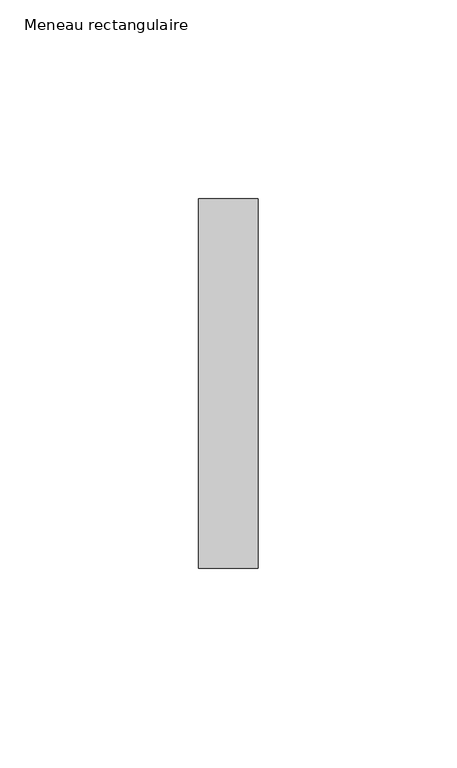
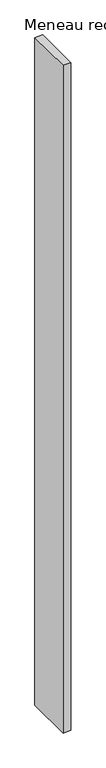
"""IFC4 building model written with IfcOpenShell, lengths in millimetres: member geometry, Meneau rectangulaire."""

from ifc_helpers import new_model, si_unit, frame, origin, place, context, project, spatial, polyline, outline, extrude, source, transform, mapped, element, save


def meneau_rectangulaire_41fb6f16(model_context):
    return source(origin(), model_context, "Body", "SweptSolid", [
        extrude(outline(polyline([(0.0, 46.5), (0.0, -46.5), (-15.0, -46.5), (-15.0, 46.5), (0.0, 46.5)])), frame((0.0, 0.0, -1345.3333332), z_axis=(0.0, 0.0, 1.0), x_axis=(1.0, 0.0, 0.0)), (0.0, 0.0, 1.0), 1345.3333332),
    ])


if __name__ == "__main__":
    model = new_model("IFC4")
    model_context = context("Model", 3, world=origin())
    ifc_project = project(units=[si_unit("LENGTHUNIT", "METRE", prefix="MILLI")], contexts=[model_context])
    site = spatial("IfcSite", under=ifc_project)
    building = spatial("IfcBuilding", under=site)
    placement = place(None, origin())
    meneau_rectangulaire_shape = meneau_rectangulaire_41fb6f16(model_context)
    element("IfcMember", 1, ObjectType="Meneau rectangulaire", at=placement, inside=building, context=model_context, shape_type="MappedRepresentation", body=[
        mapped(meneau_rectangulaire_shape, transform((0.0, 0.0, 0.0), x_axis=(1.0, 0.0, 0.0), y_axis=(0.0, 1.0, 0.0), z_axis=(0.0, 0.0, 1.0))),
    ])
    save(model, "model.ifc")
